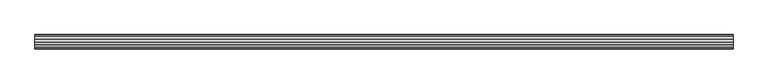
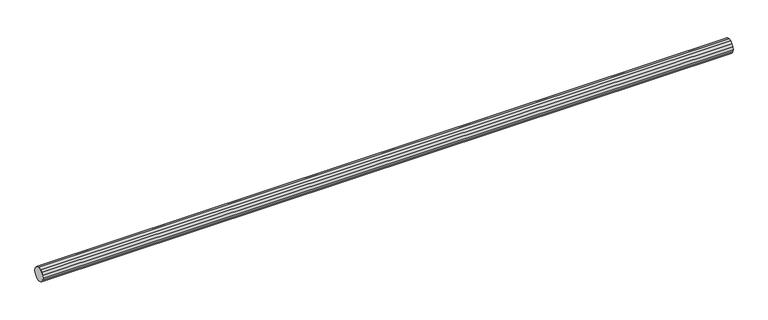
"""IFC4 building model written with IfcOpenShell, lengths in millimetres: beam geometry."""

from ifc_helpers import new_model, si_unit, frame, origin, place, context, project, spatial, polyline, outline, extrude, source, transform, mapped, element, save


def beam_1036e252(model_context):
    return source(origin(), model_context, "Body", "SweptSolid", [
        extrude(outline(polyline([(10.6568654, 86.4243195), (0.0, 140.0), (10.6568654, 193.5756805), (41.0050506, 238.9949494), (86.4243195, 269.3431346), (140.0, 280.0), (193.5756805, 269.3431346), (238.9949494, 238.9949494), (269.3431346, 193.5756805), (280.0, 140.0), (269.3431346, 86.4243195), (238.9949494, 41.0050506), (193.5756805, 10.6568654), (140.0, 0.0), (86.4243195, 10.6568654), (41.0050506, 41.0050506), (10.6568654, 86.4243195)])), frame((0.0, 0.0, 0.0), z_axis=(1.0, 0.0, 0.0), x_axis=(0.0, 1.0, 0.0)), (0.0, 0.0, 1.0), 13770.0),
    ])


if __name__ == "__main__":
    model = new_model("IFC4")
    model_context = context("Model", 3, world=origin())
    ifc_project = project(units=[si_unit("LENGTHUNIT", "METRE", prefix="MILLI")], contexts=[model_context])
    site = spatial("IfcSite", under=ifc_project)
    building = spatial("IfcBuilding", under=site)
    placement = place(None, origin())
    beam_shape = beam_1036e252(model_context)
    element("IfcBeam", 1, at=placement, inside=building, context=model_context, shape_type="MappedRepresentation", body=[
        mapped(beam_shape, transform((0.0, 0.0, 0.0), x_axis=(1.0, 0.0, 0.0), y_axis=(0.0, 1.0, 0.0), z_axis=(0.0, 0.0, 1.0))),
    ])
    save(model, "model.ifc")
